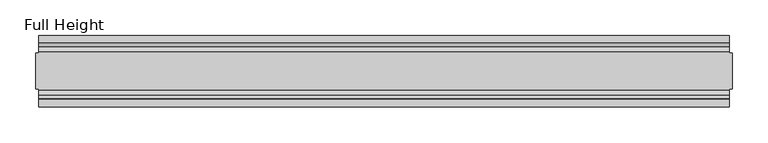
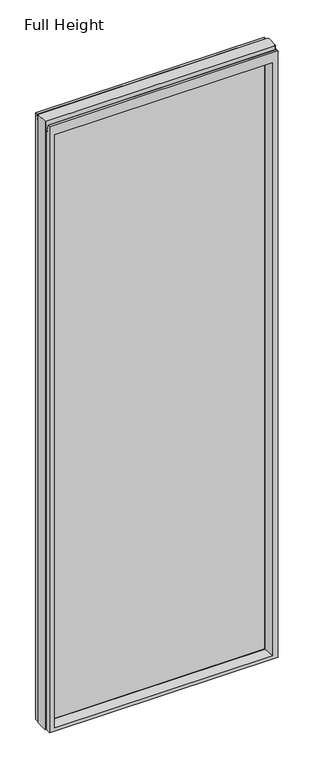
"""IFC4 building model written with IfcOpenShell, lengths in millimetres: plate geometry, Full Height."""

from ifc_helpers import new_model, si_unit, frame, origin, place, context, project, spatial, polyline, circle_curve, outline, extrude, source, transform, mapped, element, save
from ifc_brep_helpers import plane_surface, cylinder_surface, revolved_surface, advanced_brep


def full_height_67042112(model_context):
    return source(origin(), model_context, "Body", "SolidModel", [
        advanced_brep(
        [(483.4509, 50.0, 0.0), (483.4509, 25.146, 0.0), (488.0229, 25.146, 0.0), (488.0229, -25.146, 0.0), (483.4509, -25.146, 0.0), (483.4509, -50.0, 0.0), (-483.4509, -50.0, 0.0), (-483.4509, -25.146, 0.0), (-488.0229, -25.146, 0.0), (-488.0229, 25.146, 0.0), (-483.4509, 25.146, 0.0), (-483.4509, 50.0, 0.0), (488.0229, 25.146, 2720.34), (483.4509, 25.146, 2720.34), (483.4509, 26.67, 2720.34), (-483.4509, 26.67, 2720.34), (-483.4509, 25.146, 2720.34), (-488.0229, 25.146, 2720.34), (-488.0229, -25.146, 2720.34), (-483.4509, -25.146, 2720.34), (-483.4509, -26.67, 2720.34), (483.4509, -26.67, 2720.34), (483.4509, -25.146, 2720.34), (488.0229, -25.146, 2720.34), (-483.4509, 26.67, 2683.129), (483.4509, 26.67, 2683.129), (-483.4509, -50.0, 2711.196), (-483.4509, -39.9371387, 2711.196), (-483.4509, -39.1867152, 2710.5663199), (-483.4509, -34.2321175, 2682.4674004), (-483.4509, -26.67, 2683.129), (-483.4509, 34.2321175, 2682.4674004), (-483.4509, 39.1867152, 2710.5663199), (-483.4509, 39.9371387, 2711.196), (-483.4509, 50.0, 2711.196), (483.4509, -50.0, 2711.196), (-461.3529, -50.0, 2666.619), (461.3529, -50.0, 2666.619), (461.3529, -50.0, 13.9954), (-461.3529, -50.0, 13.9954), (483.4509, 50.0, 2711.196), (-461.3529, 50.0, 13.9954), (461.3529, 50.0, 13.9954), (461.3529, 50.0, 2666.619), (-461.3529, 50.0, 2666.619), (-455.3839, -6.1006519, 18.3896), (-455.3839, -6.1006519, 2660.65), (-455.3839, 6.1006519, 2660.65), (-455.3839, 6.1006519, 18.3896), (455.3839, 6.1006519, 18.3896), (455.3839, 6.1006519, 2660.65), (455.3839, -6.1006519, 2660.65), (455.3839, -6.1006519, 18.3896), (483.4509, 39.9371387, 2711.196), (483.4509, 39.1867152, 2710.5663199), (483.4509, 34.2321175, 2682.4674004), (483.4509, -26.67, 2683.129), (483.4509, -34.2321175, 2682.4674004), (483.4509, -39.1867152, 2710.5663199), (483.4509, -39.9371387, 2711.196)],
        [
            (0, 1),
            (1, 2),
            (2, 3),
            (3, 4),
            (4, 5),
            (5, 6),
            (6, 7),
            (7, 8),
            (8, 9),
            (9, 10),
            (10, 11),
            (11, 0),
            (12, 13),
            (13, 14),
            (14, 15),
            (15, 16),
            (16, 17),
            (17, 18),
            (18, 19),
            (19, 20),
            (20, 21),
            (21, 22),
            (22, 23),
            (23, 12),
            (1, 13),
            (12, 2),
            (22, 4),
            (3, 23),
            (17, 9),
            (8, 18),
            (7, 19),
            (16, 10),
            (24, 15),
            (14, 25),
            (25, 24),
            (6, 26),
            (26, 27),
            (27, 28, circle_curve(frame((-483.4509, -39.9371387, 2710.434), z_axis=(-1.0, 0.0, 0.0), x_axis=(0.0, -1.0, 0.0)), 0.762)),
            (28, 29),
            (29, 30, circle_curve(frame((-483.4509, -30.48, 2683.129), z_axis=(1.0, 0.0, 0.0), x_axis=(0.0, -1.0, 0.0)), 3.81)),
            (30, 20),
            (24, 31, circle_curve(frame((-483.4509, 30.48, 2683.129), z_axis=(1.0, 0.0, 0.0), x_axis=(0.0, -1.0, 0.0)), 3.81)),
            (31, 32),
            (32, 33, circle_curve(frame((-483.4509, 39.9371387, 2710.434), z_axis=(-1.0, 0.0, 0.0), x_axis=(0.0, -1.0, 0.0)), 0.762)),
            (33, 34),
            (34, 11),
            (5, 35),
            (35, 26),
            (36, 37),
            (37, 38),
            (38, 39),
            (39, 36),
            (34, 40),
            (40, 0),
            (41, 42),
            (42, 43),
            (43, 44),
            (44, 41),
            (39, 45),
            (45, 46),
            (46, 36),
            (44, 47),
            (47, 48),
            (48, 41),
            (42, 49),
            (49, 50),
            (50, 43),
            (51, 52),
            (52, 38),
            (37, 51),
            (40, 53),
            (53, 54, circle_curve(frame((483.4509, 39.9371387, 2710.434), z_axis=(1.0, 0.0, 0.0), x_axis=(0.0, -1.0, 0.0)), 0.762)),
            (54, 55),
            (55, 25, circle_curve(frame((483.4509, 30.48, 2683.129), z_axis=(-1.0, 0.0, 0.0), x_axis=(0.0, -1.0, 0.0)), 3.81)),
            (21, 56),
            (56, 57, circle_curve(frame((483.4509, -30.48, 2683.129), z_axis=(-1.0, 0.0, 0.0), x_axis=(0.0, -1.0, 0.0)), 3.81)),
            (57, 58),
            (58, 59, circle_curve(frame((483.4509, -39.9371387, 2710.434), z_axis=(1.0, 0.0, 0.0), x_axis=(0.0, -1.0, 0.0)), 0.762)),
            (59, 35),
            (33, 53),
            (59, 27),
            (30, 56),
            (46, 51),
            (31, 55),
            (54, 32),
            (58, 28),
            (57, 29),
            (52, 45),
            (48, 49),
            (50, 47),
            (46, 47),
            (50, 51),
            (52, 49),
            (48, 45),
        ],
        [
            plane_surface(frame((-483.4509, -50.0, 0.0), z_axis=(0.0, 0.0, -1.0), x_axis=(0.0, 1.0, 0.0))),
            plane_surface(frame((483.4509, 25.146, 2720.34), z_axis=(0.0, 0.0, 1.0), x_axis=(-1.0, 0.0, 0.0))),
            plane_surface(frame((488.0229, 25.146, 2720.34), z_axis=(0.0, 1.0, 0.0), x_axis=(0.0, 0.0, -1.0))),
            plane_surface(frame((483.4509, -25.146, 2720.34), z_axis=(0.0, -1.0, 0.0), x_axis=(0.0, 0.0, -1.0))),
            plane_surface(frame((488.0229, -25.146, 2720.34), z_axis=(1.0, 0.0, 0.0), x_axis=(0.0, 0.0, -1.0))),
            plane_surface(frame((-488.0229, 25.146, 2720.34), z_axis=(-1.0, 0.0, 0.0), x_axis=(0.0, 0.0, -1.0))),
            plane_surface(frame((-488.0229, -25.146, 2720.34), z_axis=(0.0, -1.0, 0.0), x_axis=(0.0, 0.0, -1.0))),
            plane_surface(frame((-483.4509, 25.146, 2720.34), z_axis=(0.0, 1.0, 0.0), x_axis=(0.0, 0.0, -1.0))),
            plane_surface(frame((-483.4509, 26.67, 2720.34), z_axis=(0.0, 1.0, 0.0), x_axis=(1.0, 0.0, 0.0))),
            plane_surface(frame((-483.4509, 50.0, 2678.4046), z_axis=(-1.0, 0.0, 0.0), x_axis=(0.0, 0.0, -1.0))),
            plane_surface(frame((-483.4509, -50.0, 2678.4046), z_axis=(0.0, -1.0, 0.0), x_axis=(0.0, 0.0, -1.0))),
            plane_surface(frame((-461.3529, 50.0, 2678.4046), z_axis=(0.0, 1.0, 0.0), x_axis=(0.0, 0.0, -1.0))),
            plane_surface(frame((-461.3529, -50.0, 2678.4046), z_axis=(0.990882294353361, -0.13473039277393772, 0.0), x_axis=(0.0, 0.0, -1.0))),
            plane_surface(frame((-455.3839, 6.1006519, 2678.4046), z_axis=(0.990882294353361, 0.13473039277393709, 0.0), x_axis=(0.0, 0.0, -1.0))),
            plane_surface(frame((461.3529, 50.0, 2678.4046), z_axis=(-0.9908822943533626, 0.134730392773925, 0.0), x_axis=(0.0, 0.0, -1.0))),
            plane_surface(frame((455.3839, -6.1006519, 2678.4046), z_axis=(-0.9908822943533585, -0.13473039277395565, 0.0), x_axis=(0.0, 0.0, -1.0))),
            plane_surface(frame((483.4509, -50.0, 2678.4046), z_axis=(1.0, 0.0, 0.0), x_axis=(0.0, 0.0, -1.0))),
            plane_surface(frame((-483.4509, 39.9371387, 2711.196), z_axis=(0.0, 0.0, 1.0), x_axis=(1.0, 0.0, 0.0))),
            plane_surface(frame((-483.4509, -50.0, 2711.196), z_axis=(0.0, 0.0, 1.0), x_axis=(1.0, 0.0, 0.0))),
            plane_surface(frame((-483.4509, -26.67, 2683.129), z_axis=(0.0, -1.0, 0.0), x_axis=(1.0, 0.0, 0.0))),
            plane_surface(frame((-483.4509, -6.1006519, 2660.65), z_axis=(0.0, -0.13473039277396787, -0.9908822943533568), x_axis=(1.0, 0.0, 0.0))),
            plane_surface(frame((-483.4509, 34.2321175, 2682.4674004), z_axis=(0.0, -0.9848077530122082, 0.17364817766692928), x_axis=(1.0, 0.0, 0.0))),
            revolved_surface(polyline([(483.4509, 26.67, 2683.129), (-483.4509, 26.67, 2683.129)]), (483.4509, 30.48, 2683.129), (1.0, 0.0, 0.0)),
            cylinder_surface(frame((483.4509, 39.9371387, 2710.434), z_axis=(-1.0, 0.0, 0.0), x_axis=(0.0, -1.0, 0.0)), 0.762),
            cylinder_surface(frame((483.4509, -39.9371387, 2710.434), z_axis=(-1.0, 0.0, 0.0), x_axis=(0.0, -1.0, 0.0)), 0.762),
            plane_surface(frame((-483.4509, -39.1867152, 2710.5663199), z_axis=(0.0, 0.9848077530122008, 0.1736481776669717), x_axis=(1.0, 0.0, 0.0))),
            revolved_surface(polyline([(483.4509, -34.29, 2683.129), (-483.4509, -34.29, 2683.129)]), (483.4509, -30.48, 2683.129), (1.0, 0.0, 0.0)),
            plane_surface(frame((-483.4509, -50.0, 13.9954), z_axis=(0.0, -0.09959943661133767, 0.9950276138010965), x_axis=(1.0, 0.0, 0.0))),
            plane_surface(frame((-483.4509, 6.1006519, 18.3896), z_axis=(0.0, 0.09959943661137731, 0.9950276138010926), x_axis=(1.0, 0.0, 0.0))),
            plane_surface(frame((-483.4509, 50.0, 2666.619), z_axis=(0.0, 0.13473039277395585, -0.9908822943533585), x_axis=(1.0, 0.0, 0.0))),
            plane_surface(frame((-483.4509, 6.1006519, 2660.65), z_axis=(0.0, 0.0, -1.0), x_axis=(1.0, 0.0, 0.0))),
            plane_surface(frame((-483.4509, -6.1006519, 18.3896), z_axis=(0.0, 0.0, 1.0), x_axis=(1.0, 0.0, 0.0))),
            plane_surface(frame((-455.3839, -6.1006519, 2678.4046), z_axis=(1.0, 0.0, 0.0), x_axis=(0.0, 0.0, -1.0))),
            plane_surface(frame((455.3839, 6.1006519, 2678.4046), z_axis=(-1.0, 0.0, 0.0), x_axis=(0.0, 0.0, -1.0))),
        ],
        [
            (0, [[1, 2, 3, 4, 5, 6, 7, 8, 9, 10, 11, 12]]),
            (1, [[13, 14, 15, 16, 17, 18, 19, 20, 21, 22, 23, 24]]),
            (2, [[25, -13, 26, -2]]),
            (3, [[-23, 27, -4, 28]]),
            (4, [[-24, -28, -3, -26]]),
            (5, [[-18, 29, -9, 30]]),
            (6, [[31, -19, -30, -8]]),
            (7, [[-17, 32, -10, -29]]),
            (8, [[33, -15, 34, 35]]),
            (9, [[-7, 36, 37, 38, 39, 40, 41, -20, -31]]),
            (9, [[-11, -32, -16, -33, 42, 43, 44, 45, 46]]),
            (10, [[-36, -6, 47, 48], [49, 50, 51, 52]]),
            (11, [[-12, -46, 53, 54], [55, 56, 57, 58]]),
            (12, [[-52, 59, 60, 61]]),
            (13, [[-58, 62, 63, 64]]),
            (14, [[-56, 65, 66, 67]]),
            (15, [[68, 69, -50, 70]]),
            (16, [[-1, -54, 71, 72, 73, 74, -34, -14, -25]]),
            (16, [[-47, -5, -27, -22, 75, 76, 77, 78, 79]]),
            (17, [[-45, 80, -71, -53]]),
            (18, [[-37, -48, -79, 81]]),
            (19, [[-41, 82, -75, -21]]),
            (20, [[-49, -61, 83, -70]]),
            (21, [[-43, 84, -73, 85]]),
            (22, [[-42, -35, -74, -84]]),
            (23, [[-44, -85, -72, -80]]),
            (24, [[-38, -81, -78, 86]]),
            (25, [[-39, -86, -77, 87]]),
            (26, [[-40, -87, -76, -82]]),
            (27, [[-51, -69, 88, -59]]),
            (28, [[-55, -64, 89, -65]]),
            (29, [[-57, -67, 90, -62]]),
            (30, [[-83, 91, -90, 92]]),
            (31, [[-88, 93, -89, 94]]),
            (32, [[-63, -91, -60, -94]]),
            (33, [[-68, -92, -66, -93]]),
        ],
    ),
        extrude(outline(polyline([(-455.3839, 3.175), (455.3839, 3.175), (455.3839, -3.175), (-455.3839, -3.175), (-455.3839, 3.175)])), frame((0.0, 0.0, 18.3896), z_axis=(0.0, 0.0, 1.0), x_axis=(1.0, 0.0, 0.0)), (0.0, 0.0, 1.0), 2642.2604),
    ])


if __name__ == "__main__":
    model = new_model("IFC4")
    model_context = context("Model", 3, world=origin())
    ifc_project = project(units=[si_unit("LENGTHUNIT", "METRE", prefix="MILLI")], contexts=[model_context])
    site = spatial("IfcSite", under=ifc_project)
    building = spatial("IfcBuilding", under=site)
    placement = place(None, origin())
    full_height_shape = full_height_67042112(model_context)
    element("IfcPlate", 1, ObjectType="Full Height", at=placement, inside=building, context=model_context, shape_type="MappedRepresentation", body=[
        mapped(full_height_shape, transform((0.0, 0.0, 0.0), x_axis=(1.0, 0.0, 0.0), y_axis=(0.0, 1.0, 0.0), z_axis=(0.0, 0.0, 1.0))),
    ])
    save(model, "model.ifc")
